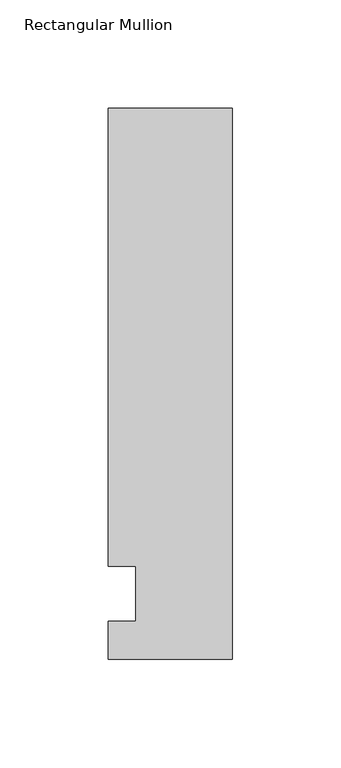
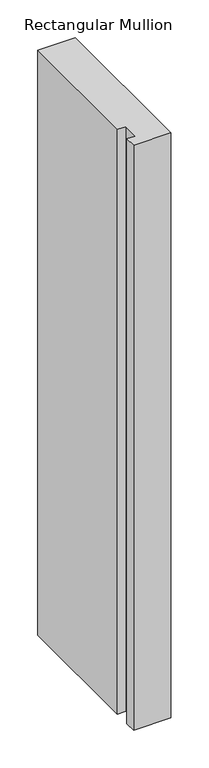
"""IFC4 building model written with IfcOpenShell, lengths in millimetres: member geometry, Rectangular Mullion."""

from ifc_helpers import new_model, si_unit, frame, origin, place, context, project, spatial, polyline, outline, extrude, source, transform, mapped, element, save


def rectangular_mullion_296a0bee(model_context):
    return source(origin(), model_context, "Body", "SweptSolid", [
        extrude(outline(polyline([(-57.15, 223.8375), (0.0, 223.8375), (0.0, -30.1625), (-57.15, -30.1625), (-57.15, -12.7), (-44.4482296, -12.7), (-44.4482296, 12.7), (-57.15, 12.7), (-57.15, 223.8375)])), frame((0.0, 0.0, -946.15), z_axis=(0.0, 0.0, 1.0), x_axis=(1.0, 0.0, 0.0)), (0.0, 0.0, 1.0), 946.15),
    ])


if __name__ == "__main__":
    model = new_model("IFC4")
    model_context = context("Model", 3, world=origin())
    ifc_project = project(units=[si_unit("LENGTHUNIT", "METRE", prefix="MILLI")], contexts=[model_context])
    site = spatial("IfcSite", under=ifc_project)
    building = spatial("IfcBuilding", under=site)
    placement = place(None, origin())
    rectangular_mullion_shape = rectangular_mullion_296a0bee(model_context)
    element("IfcMember", 1, ObjectType="Rectangular Mullion", at=placement, inside=building, context=model_context, shape_type="MappedRepresentation", body=[
        mapped(rectangular_mullion_shape, transform((0.0, 0.0, 0.0), x_axis=(1.0, 0.0, 0.0), y_axis=(0.0, 1.0, 0.0), z_axis=(0.0, 0.0, 1.0))),
    ])
    save(model, "model.ifc")
